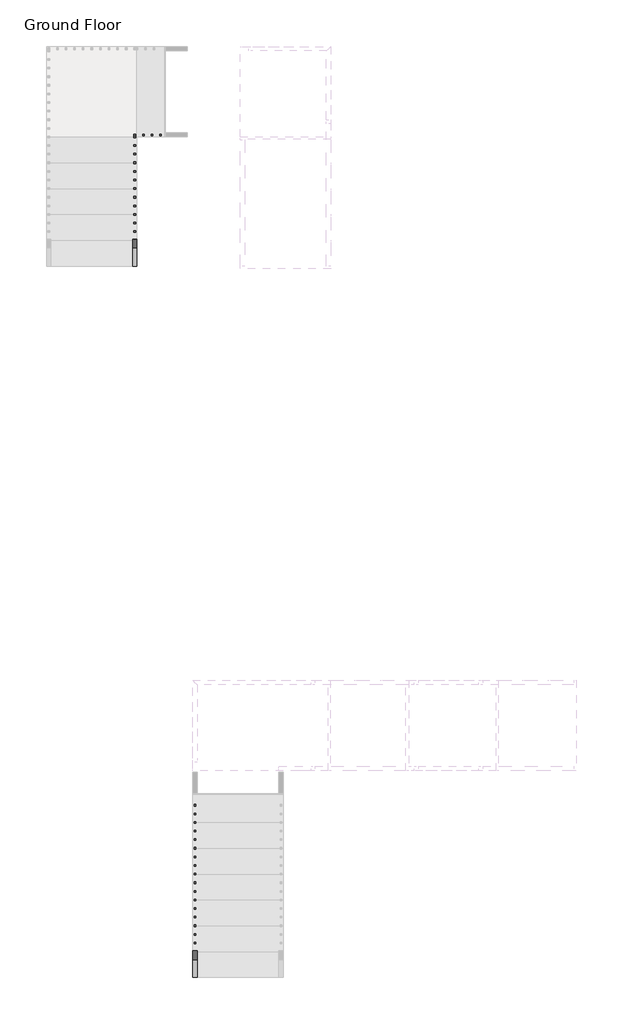
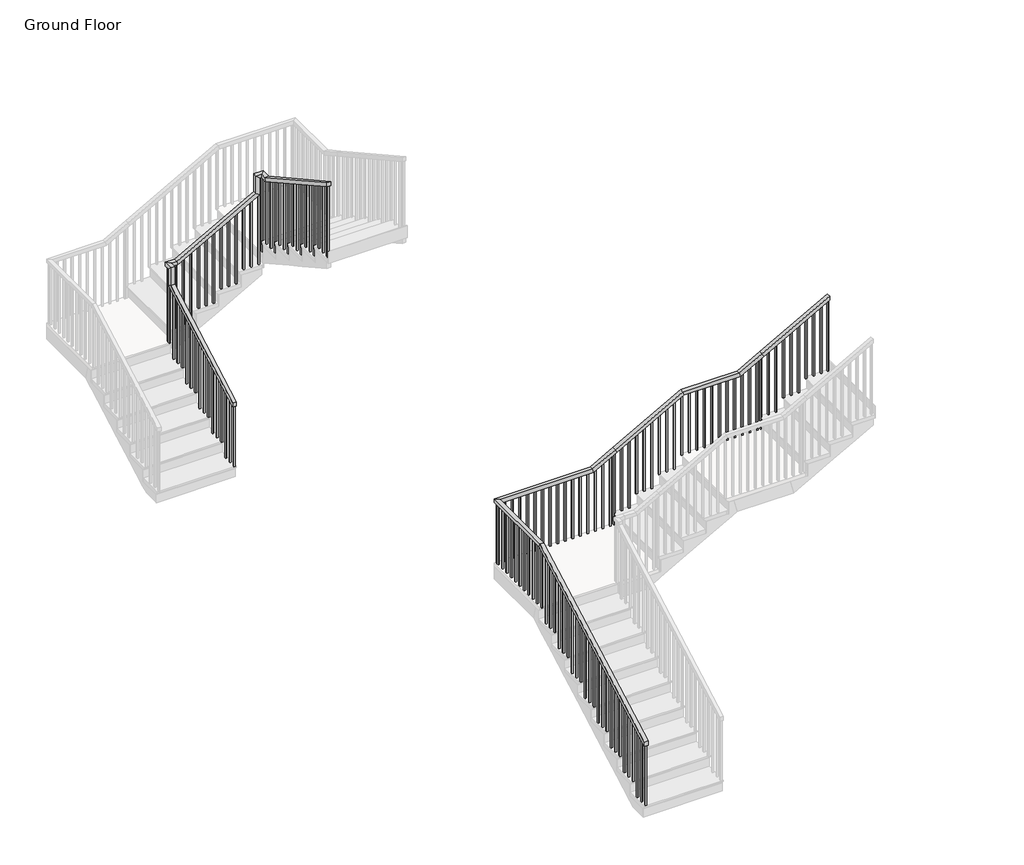
# One storey, part 6 of 10: 2 railings.
"""IFC4 building model written with IfcOpenShell, lengths in millimetres."""

from ifc_helpers import new_model, si_unit, frame, origin, place, context, project, spatial, polyline, outline, extrude, faceted_brep, element, save

model = new_model("IFC4")

# Units and contexts
model_context = context("Model", 3, world=origin())
ifc_project = project(units=[si_unit("LENGTHUNIT", "METRE", prefix="MILLI")], contexts=[model_context])

# Site, building, storey
site = spatial("IfcSite", under=ifc_project)
building = spatial("IfcBuilding", under=site)
storey = spatial("IfcBuildingStorey", under=building, Name="Ground Floor", Elevation=0.0)

# Railings
placement = place(None, origin())
element("IfcRailing", 1, ObjectType="Handrail - Rectangular", at=placement, inside=storey, context=model_context, shape_type="SolidModel", body=[
    faceted_brep([(36570.4404708, -15539.550078, 1083.2352941), (36570.4404708, -15539.550078, 1025.162448), (36621.2404708, -15539.550078, 1025.162448), (36621.2404708, -15539.550078, 1083.2352941), (36570.4404708, -13101.150078, 2433.9176471), (36570.4404708, -13088.020338, 2383.1176471), (36621.2404708, -13088.020338, 2383.1176471), (36621.2404708, -13101.150078, 2433.9176471), (36570.4404708, -12034.350078, 2433.9176471), (36570.4404708, -12034.350078, 2383.1176471), (36621.2404708, -12085.150078, 2383.1176471), (36621.2404708, -12085.150078, 2433.9176471), (37865.8404708, -12034.350078, 2433.9176471), (37878.9702107, -12034.350078, 2383.1176471), (37878.9702107, -12085.150078, 2383.1176471), (37865.8404708, -12085.150078, 2433.9176471), (38170.6404708, -12034.350078, 2602.7529412), (38195.2556266, -12034.350078, 2558.3149608), (38195.2556266, -12085.150078, 2558.3149608), (38170.6404708, -12085.150078, 2602.7529412), (39085.0404708, -12034.350078, 3109.2588235), (39098.1702107, -12034.350078, 3058.4588235), (39098.1702107, -12085.150078, 3058.4588235), (39085.0404708, -12085.150078, 3109.2588235), (39847.0404708, -12034.350078, 3109.2588235), (39860.1702107, -12034.350078, 3058.4588235), (39860.1702107, -12085.150078, 3058.4588235), (39847.0404708, -12085.150078, 3109.2588235), (40151.8404708, -12034.350078, 3278.0941176), (40176.4556266, -12034.350078, 3233.6561372), (40176.4556266, -12085.150078, 3233.6561372), (40151.8404708, -12085.150078, 3278.0941176), (41066.2404708, -12034.350078, 3784.6), (41066.2404708, -12085.150078, 3784.6), (41066.2404708, -12085.150078, 3726.5271539), (41066.2404708, -12034.350078, 3726.5271539)], [[[0, 1, 2, 3]], [[1, 0, 4, 5]], [[2, 1, 5, 6]], [[3, 2, 6, 7]], [[0, 3, 7, 4]], [[5, 4, 8, 9]], [[6, 5, 9, 10]], [[7, 6, 10, 11]], [[4, 7, 11, 8]], [[9, 8, 12, 13]], [[10, 9, 13, 14]], [[11, 10, 14, 15]], [[8, 11, 15, 12]], [[13, 12, 16, 17]], [[14, 13, 17, 18]], [[15, 14, 18, 19]], [[12, 15, 19, 16]], [[17, 16, 20, 21]], [[18, 17, 21, 22]], [[19, 18, 22, 23]], [[16, 19, 23, 20]], [[21, 20, 24, 25]], [[22, 21, 25, 26]], [[23, 22, 26, 27]], [[20, 23, 27, 24]], [[25, 24, 28, 29]], [[26, 25, 29, 30]], [[27, 26, 30, 31]], [[24, 27, 31, 28]], [[32, 33, 34, 35]], [[29, 28, 32, 35]], [[30, 29, 35, 34]], [[31, 30, 34, 33]], [[28, 31, 33, 32]]]),
    extrude(outline(polyline([(3664.9726195, 40955.1154708), (2701.3647059, 40955.1154708), (2701.3647059, 40974.1654708), (3675.5248254, 40974.1654708), (3664.9726195, 40955.1154708)])), frame((0.0, -12069.275078, 0.0), z_axis=(0.0, 1.0, 0.0), x_axis=(0.0, 0.0, 1.0)), (0.0, 0.0, 1.0), 19.05),
    extrude(outline(polyline([(3608.6941882, 40853.5154708), (2701.3647059, 40853.5154708), (2701.3647059, 40872.5654708), (3619.2463941, 40872.5654708), (3608.6941882, 40853.5154708)])), frame((0.0, -12069.275078, 0.0), z_axis=(0.0, 1.0, 0.0), x_axis=(0.0, 0.0, 1.0)), (0.0, 0.0, 1.0), 19.05),
    extrude(outline(polyline([(3552.4157568, 40751.9154708), (2701.3647059, 40751.9154708), (2701.3647059, 40770.9654708), (3562.9679627, 40770.9654708), (3552.4157568, 40751.9154708)])), frame((0.0, -12069.275078, 0.0), z_axis=(0.0, 1.0, 0.0), x_axis=(0.0, 0.0, 1.0)), (0.0, 0.0, 1.0), 19.05),
    extrude(outline(polyline([(3496.1373254, 40650.3154708), (2532.5294118, 40650.3154708), (2532.5294118, 40669.3654708), (3506.6895313, 40669.3654708), (3496.1373254, 40650.3154708)])), frame((0.0, -12069.275078, 0.0), z_axis=(0.0, 1.0, 0.0), x_axis=(0.0, 0.0, 1.0)), (0.0, 0.0, 1.0), 19.05),
    extrude(outline(polyline([(3439.8588941, 40548.7154708), (2532.5294118, 40548.7154708), (2532.5294118, 40567.7654708), (3450.4110999, 40567.7654708), (3439.8588941, 40548.7154708)])), frame((0.0, -12069.275078, 0.0), z_axis=(0.0, 1.0, 0.0), x_axis=(0.0, 0.0, 1.0)), (0.0, 0.0, 1.0), 19.05),
    extrude(outline(polyline([(3383.5804627, 40447.1154708), (2532.5294118, 40447.1154708), (2532.5294118, 40466.1654708), (3394.1326686, 40466.1654708), (3383.5804627, 40447.1154708)])), frame((0.0, -12069.275078, 0.0), z_axis=(0.0, 1.0, 0.0), x_axis=(0.0, 0.0, 1.0)), (0.0, 0.0, 1.0), 19.05),
    extrude(outline(polyline([(3327.3020313, 40345.5154708), (2363.6941176, 40345.5154708), (2363.6941176, 40364.5654708), (3337.8542372, 40364.5654708), (3327.3020313, 40345.5154708)])), frame((0.0, -12069.275078, 0.0), z_axis=(0.0, 1.0, 0.0), x_axis=(0.0, 0.0, 1.0)), (0.0, 0.0, 1.0), 19.05),
    extrude(outline(polyline([(3271.0235999, 40243.9154708), (2363.6941176, 40243.9154708), (2363.6941176, 40262.9654708), (3281.5758058, 40262.9654708), (3271.0235999, 40243.9154708)])), frame((0.0, -12069.275078, 0.0), z_axis=(0.0, 1.0, 0.0), x_axis=(0.0, 0.0, 1.0)), (0.0, 0.0, 1.0), 19.05),
    extrude(outline(polyline([(3186.6059529, 40091.5154708), (2194.8588235, 40091.5154708), (2194.8588235, 40110.5654708), (3197.1581588, 40110.5654708), (3186.6059529, 40091.5154708)])), frame((0.0, -12069.275078, 0.0), z_axis=(0.0, 1.0, 0.0), x_axis=(0.0, 0.0, 1.0)), (0.0, 0.0, 1.0), 19.05),
    extrude(outline(polyline([(3130.3275215, 39989.9154708), (2194.8588235, 39989.9154708), (2194.8588235, 40008.9654708), (3140.8797274, 40008.9654708), (3130.3275215, 39989.9154708)])), frame((0.0, -12069.275078, 0.0), z_axis=(0.0, 1.0, 0.0), x_axis=(0.0, 0.0, 1.0)), (0.0, 0.0, 1.0), 19.05),
    extrude(outline(polyline([(3074.0490901, 39888.3154708), (2194.8588235, 39888.3154708), (2194.8588235, 39907.3654708), (3084.601296, 39907.3654708), (3074.0490901, 39888.3154708)])), frame((0.0, -12069.275078, 0.0), z_axis=(0.0, 1.0, 0.0), x_axis=(0.0, 0.0, 1.0)), (0.0, 0.0, 1.0), 19.05),
    extrude(outline(polyline([(39786.7154708, -12050.225078), (39805.7654708, -12050.225078), (39805.7654708, -12069.275078), (39786.7154708, -12069.275078), (39786.7154708, -12050.225078)])), frame((0.0, 0.0, 2194.8588235), z_axis=(0.0, 0.0, 1.0), x_axis=(1.0, 0.0, 0.0)), (0.0, 0.0, 1.0), 863.6),
    extrude(outline(polyline([(39685.1154708, -12050.225078), (39704.1654708, -12050.225078), (39704.1654708, -12069.275078), (39685.1154708, -12069.275078), (39685.1154708, -12050.225078)])), frame((0.0, 0.0, 2194.8588235), z_axis=(0.0, 0.0, 1.0), x_axis=(1.0, 0.0, 0.0)), (0.0, 0.0, 1.0), 863.6),
    extrude(outline(polyline([(39583.5154708, -12050.225078), (39602.5654708, -12050.225078), (39602.5654708, -12069.275078), (39583.5154708, -12069.275078), (39583.5154708, -12050.225078)])), frame((0.0, 0.0, 2194.8588235), z_axis=(0.0, 0.0, 1.0), x_axis=(1.0, 0.0, 0.0)), (0.0, 0.0, 1.0), 863.6),
    extrude(outline(polyline([(39481.9154708, -12050.225078), (39500.9654708, -12050.225078), (39500.9654708, -12069.275078), (39481.9154708, -12069.275078), (39481.9154708, -12050.225078)])), frame((0.0, 0.0, 2194.8588235), z_axis=(0.0, 0.0, 1.0), x_axis=(1.0, 0.0, 0.0)), (0.0, 0.0, 1.0), 863.6),
    extrude(outline(polyline([(39380.3154708, -12050.225078), (39399.3654708, -12050.225078), (39399.3654708, -12069.275078), (39380.3154708, -12069.275078), (39380.3154708, -12050.225078)])), frame((0.0, 0.0, 2194.8588235), z_axis=(0.0, 0.0, 1.0), x_axis=(1.0, 0.0, 0.0)), (0.0, 0.0, 1.0), 863.6),
    extrude(outline(polyline([(39278.7154708, -12050.225078), (39297.7654708, -12050.225078), (39297.7654708, -12069.275078), (39278.7154708, -12069.275078), (39278.7154708, -12050.225078)])), frame((0.0, 0.0, 2194.8588235), z_axis=(0.0, 0.0, 1.0), x_axis=(1.0, 0.0, 0.0)), (0.0, 0.0, 1.0), 863.6),
    extrude(outline(polyline([(39177.1154708, -12050.225078), (39196.1654708, -12050.225078), (39196.1654708, -12069.275078), (39177.1154708, -12069.275078), (39177.1154708, -12050.225078)])), frame((0.0, 0.0, 2194.8588235), z_axis=(0.0, 0.0, 1.0), x_axis=(1.0, 0.0, 0.0)), (0.0, 0.0, 1.0), 863.6),
    extrude(outline(polyline([(2989.6314431, 38973.9154708), (2026.0235294, 38973.9154708), (2026.0235294, 38992.9654708), (3000.183649, 38992.9654708), (2989.6314431, 38973.9154708)])), frame((0.0, -12069.275078, 0.0), z_axis=(0.0, 1.0, 0.0), x_axis=(0.0, 0.0, 1.0)), (0.0, 0.0, 1.0), 19.05),
    extrude(outline(polyline([(2933.3530117, 38872.3154708), (2026.0235294, 38872.3154708), (2026.0235294, 38891.3654708), (2943.9052176, 38891.3654708), (2933.3530117, 38872.3154708)])), frame((0.0, -12069.275078, 0.0), z_axis=(0.0, 1.0, 0.0), x_axis=(0.0, 0.0, 1.0)), (0.0, 0.0, 1.0), 19.05),
    extrude(outline(polyline([(2877.0745803, 38770.7154708), (2026.0235294, 38770.7154708), (2026.0235294, 38789.7654708), (2887.6267862, 38789.7654708), (2877.0745803, 38770.7154708)])), frame((0.0, -12069.275078, 0.0), z_axis=(0.0, 1.0, 0.0), x_axis=(0.0, 0.0, 1.0)), (0.0, 0.0, 1.0), 19.05),
    extrude(outline(polyline([(2820.796149, 38669.1154708), (1857.1882353, 38669.1154708), (1857.1882353, 38688.1654708), (2831.3483548, 38688.1654708), (2820.796149, 38669.1154708)])), frame((0.0, -12069.275078, 0.0), z_axis=(0.0, 1.0, 0.0), x_axis=(0.0, 0.0, 1.0)), (0.0, 0.0, 1.0), 19.05),
    extrude(outline(polyline([(2764.5177176, 38567.5154708), (1857.1882353, 38567.5154708), (1857.1882353, 38586.5654708), (2775.0699235, 38586.5654708), (2764.5177176, 38567.5154708)])), frame((0.0, -12069.275078, 0.0), z_axis=(0.0, 1.0, 0.0), x_axis=(0.0, 0.0, 1.0)), (0.0, 0.0, 1.0), 19.05),
    extrude(outline(polyline([(2708.2392862, 38465.9154708), (1857.1882353, 38465.9154708), (1857.1882353, 38484.9654708), (2718.7914921, 38484.9654708), (2708.2392862, 38465.9154708)])), frame((0.0, -12069.275078, 0.0), z_axis=(0.0, 1.0, 0.0), x_axis=(0.0, 0.0, 1.0)), (0.0, 0.0, 1.0), 19.05),
    extrude(outline(polyline([(2651.9608548, 38364.3154708), (1688.3529412, 38364.3154708), (1688.3529412, 38383.3654708), (2662.5130607, 38383.3654708), (2651.9608548, 38364.3154708)])), frame((0.0, -12069.275078, 0.0), z_axis=(0.0, 1.0, 0.0), x_axis=(0.0, 0.0, 1.0)), (0.0, 0.0, 1.0), 19.05),
    extrude(outline(polyline([(2595.6824235, 38262.7154708), (1688.3529412, 38262.7154708), (1688.3529412, 38281.7654708), (2606.2346293, 38281.7654708), (2595.6824235, 38262.7154708)])), frame((0.0, -12069.275078, 0.0), z_axis=(0.0, 1.0, 0.0), x_axis=(0.0, 0.0, 1.0)), (0.0, 0.0, 1.0), 19.05),
    extrude(outline(polyline([(2511.2647764, 38110.3154708), (1519.5176471, 38110.3154708), (1519.5176471, 38129.3654708), (2521.8169823, 38129.3654708), (2511.2647764, 38110.3154708)])), frame((0.0, -12069.275078, 0.0), z_axis=(0.0, 1.0, 0.0), x_axis=(0.0, 0.0, 1.0)), (0.0, 0.0, 1.0), 19.05),
    extrude(outline(polyline([(2454.986345, 38008.7154708), (1519.5176471, 38008.7154708), (1519.5176471, 38027.7654708), (2465.5385509, 38027.7654708), (2454.986345, 38008.7154708)])), frame((0.0, -12069.275078, 0.0), z_axis=(0.0, 1.0, 0.0), x_axis=(0.0, 0.0, 1.0)), (0.0, 0.0, 1.0), 19.05),
    extrude(outline(polyline([(2398.7079137, 37907.1154708), (1519.5176471, 37907.1154708), (1519.5176471, 37926.1654708), (2409.2601195, 37926.1654708), (2398.7079137, 37907.1154708)])), frame((0.0, -12069.275078, 0.0), z_axis=(0.0, 1.0, 0.0), x_axis=(0.0, 0.0, 1.0)), (0.0, 0.0, 1.0), 19.05),
    extrude(outline(polyline([(37805.5154708, -12050.225078), (37824.5654708, -12050.225078), (37824.5654708, -12069.275078), (37805.5154708, -12069.275078), (37805.5154708, -12050.225078)])), frame((0.0, 0.0, 1519.5176471), z_axis=(0.0, 0.0, 1.0), x_axis=(1.0, 0.0, 0.0)), (0.0, 0.0, 1.0), 863.6),
    extrude(outline(polyline([(37703.9154708, -12050.225078), (37722.9654708, -12050.225078), (37722.9654708, -12069.275078), (37703.9154708, -12069.275078), (37703.9154708, -12050.225078)])), frame((0.0, 0.0, 1519.5176471), z_axis=(0.0, 0.0, 1.0), x_axis=(1.0, 0.0, 0.0)), (0.0, 0.0, 1.0), 863.6),
    extrude(outline(polyline([(37602.3154708, -12050.225078), (37621.3654708, -12050.225078), (37621.3654708, -12069.275078), (37602.3154708, -12069.275078), (37602.3154708, -12050.225078)])), frame((0.0, 0.0, 1519.5176471), z_axis=(0.0, 0.0, 1.0), x_axis=(1.0, 0.0, 0.0)), (0.0, 0.0, 1.0), 863.6),
    extrude(outline(polyline([(37500.7154708, -12050.225078), (37519.7654708, -12050.225078), (37519.7654708, -12069.275078), (37500.7154708, -12069.275078), (37500.7154708, -12050.225078)])), frame((0.0, 0.0, 1519.5176471), z_axis=(0.0, 0.0, 1.0), x_axis=(1.0, 0.0, 0.0)), (0.0, 0.0, 1.0), 863.6),
    extrude(outline(polyline([(37399.1154708, -12050.225078), (37418.1654708, -12050.225078), (37418.1654708, -12069.275078), (37399.1154708, -12069.275078), (37399.1154708, -12050.225078)])), frame((0.0, 0.0, 1519.5176471), z_axis=(0.0, 0.0, 1.0), x_axis=(1.0, 0.0, 0.0)), (0.0, 0.0, 1.0), 863.6),
    extrude(outline(polyline([(37297.5154708, -12050.225078), (37316.5654708, -12050.225078), (37316.5654708, -12069.275078), (37297.5154708, -12069.275078), (37297.5154708, -12050.225078)])), frame((0.0, 0.0, 1519.5176471), z_axis=(0.0, 0.0, 1.0), x_axis=(1.0, 0.0, 0.0)), (0.0, 0.0, 1.0), 863.6),
    extrude(outline(polyline([(37195.9154708, -12050.225078), (37214.9654708, -12050.225078), (37214.9654708, -12069.275078), (37195.9154708, -12069.275078), (37195.9154708, -12050.225078)])), frame((0.0, 0.0, 1519.5176471), z_axis=(0.0, 0.0, 1.0), x_axis=(1.0, 0.0, 0.0)), (0.0, 0.0, 1.0), 863.6),
    extrude(outline(polyline([(37094.3154708, -12050.225078), (37113.3654708, -12050.225078), (37113.3654708, -12069.275078), (37094.3154708, -12069.275078), (37094.3154708, -12050.225078)])), frame((0.0, 0.0, 1519.5176471), z_axis=(0.0, 0.0, 1.0), x_axis=(1.0, 0.0, 0.0)), (0.0, 0.0, 1.0), 863.6),
    extrude(outline(polyline([(36992.7154708, -12050.225078), (37011.7654708, -12050.225078), (37011.7654708, -12069.275078), (36992.7154708, -12069.275078), (36992.7154708, -12050.225078)])), frame((0.0, 0.0, 1519.5176471), z_axis=(0.0, 0.0, 1.0), x_axis=(1.0, 0.0, 0.0)), (0.0, 0.0, 1.0), 863.6),
    extrude(outline(polyline([(36891.1154708, -12050.225078), (36910.1654708, -12050.225078), (36910.1654708, -12069.275078), (36891.1154708, -12069.275078), (36891.1154708, -12050.225078)])), frame((0.0, 0.0, 1519.5176471), z_axis=(0.0, 0.0, 1.0), x_axis=(1.0, 0.0, 0.0)), (0.0, 0.0, 1.0), 863.6),
    extrude(outline(polyline([(36789.5154708, -12050.225078), (36808.5654708, -12050.225078), (36808.5654708, -12069.275078), (36789.5154708, -12069.275078), (36789.5154708, -12050.225078)])), frame((0.0, 0.0, 1519.5176471), z_axis=(0.0, 0.0, 1.0), x_axis=(1.0, 0.0, 0.0)), (0.0, 0.0, 1.0), 863.6),
    extrude(outline(polyline([(36687.9154708, -12050.225078), (36706.9654708, -12050.225078), (36706.9654708, -12069.275078), (36687.9154708, -12069.275078), (36687.9154708, -12050.225078)])), frame((0.0, 0.0, 1519.5176471), z_axis=(0.0, 0.0, 1.0), x_axis=(1.0, 0.0, 0.0)), (0.0, 0.0, 1.0), 863.6),
    extrude(outline(polyline([(36586.3154708, -12094.675078), (36586.3154708, -12075.625078), (36605.3654708, -12075.625078), (36605.3654708, -12094.675078), (36586.3154708, -12094.675078)])), frame((0.0, 0.0, 1519.5176471), z_axis=(0.0, 0.0, 1.0), x_axis=(1.0, 0.0, 0.0)), (0.0, 0.0, 1.0), 863.6),
    extrude(outline(polyline([(36586.3154708, -12196.275078), (36586.3154708, -12177.225078), (36605.3654708, -12177.225078), (36605.3654708, -12196.275078), (36586.3154708, -12196.275078)])), frame((0.0, 0.0, 1519.5176471), z_axis=(0.0, 0.0, 1.0), x_axis=(1.0, 0.0, 0.0)), (0.0, 0.0, 1.0), 863.6),
    extrude(outline(polyline([(36586.3154708, -12297.875078), (36586.3154708, -12278.825078), (36605.3654708, -12278.825078), (36605.3654708, -12297.875078), (36586.3154708, -12297.875078)])), frame((0.0, 0.0, 1519.5176471), z_axis=(0.0, 0.0, 1.0), x_axis=(1.0, 0.0, 0.0)), (0.0, 0.0, 1.0), 863.6),
    extrude(outline(polyline([(36586.3154708, -12399.475078), (36586.3154708, -12380.425078), (36605.3654708, -12380.425078), (36605.3654708, -12399.475078), (36586.3154708, -12399.475078)])), frame((0.0, 0.0, 1519.5176471), z_axis=(0.0, 0.0, 1.0), x_axis=(1.0, 0.0, 0.0)), (0.0, 0.0, 1.0), 863.6),
    extrude(outline(polyline([(36586.3154708, -12501.075078), (36586.3154708, -12482.025078), (36605.3654708, -12482.025078), (36605.3654708, -12501.075078), (36586.3154708, -12501.075078)])), frame((0.0, 0.0, 1519.5176471), z_axis=(0.0, 0.0, 1.0), x_axis=(1.0, 0.0, 0.0)), (0.0, 0.0, 1.0), 863.6),
    extrude(outline(polyline([(36586.3154708, -12602.675078), (36586.3154708, -12583.625078), (36605.3654708, -12583.625078), (36605.3654708, -12602.675078), (36586.3154708, -12602.675078)])), frame((0.0, 0.0, 1519.5176471), z_axis=(0.0, 0.0, 1.0), x_axis=(1.0, 0.0, 0.0)), (0.0, 0.0, 1.0), 863.6),
    extrude(outline(polyline([(36586.3154708, -12704.275078), (36586.3154708, -12685.225078), (36605.3654708, -12685.225078), (36605.3654708, -12704.275078), (36586.3154708, -12704.275078)])), frame((0.0, 0.0, 1519.5176471), z_axis=(0.0, 0.0, 1.0), x_axis=(1.0, 0.0, 0.0)), (0.0, 0.0, 1.0), 863.6),
    extrude(outline(polyline([(36586.3154708, -12805.875078), (36586.3154708, -12786.825078), (36605.3654708, -12786.825078), (36605.3654708, -12805.875078), (36586.3154708, -12805.875078)])), frame((0.0, 0.0, 1519.5176471), z_axis=(0.0, 0.0, 1.0), x_axis=(1.0, 0.0, 0.0)), (0.0, 0.0, 1.0), 863.6),
    extrude(outline(polyline([(36586.3154708, -12907.475078), (36586.3154708, -12888.425078), (36605.3654708, -12888.425078), (36605.3654708, -12907.475078), (36586.3154708, -12907.475078)])), frame((0.0, 0.0, 1519.5176471), z_axis=(0.0, 0.0, 1.0), x_axis=(1.0, 0.0, 0.0)), (0.0, 0.0, 1.0), 863.6),
    extrude(outline(polyline([(36586.3154708, -13009.075078), (36586.3154708, -12990.025078), (36605.3654708, -12990.025078), (36605.3654708, -13009.075078), (36586.3154708, -13009.075078)])), frame((0.0, 0.0, 1519.5176471), z_axis=(0.0, 0.0, 1.0), x_axis=(1.0, 0.0, 0.0)), (0.0, 0.0, 1.0), 863.6),
    extrude(outline(polyline([(-13193.225078, 2324.8424725), (-13193.225078, 1350.6823529), (-13212.275078, 1350.6823529), (-13212.275078, 2314.2902666), (-13193.225078, 2324.8424725)])), frame((36586.3154708, 0.0, 0.0), z_axis=(1.0, 0.0, 0.0), x_axis=(0.0, 1.0, 0.0)), (0.0, 0.0, 1.0), 19.05),
    extrude(outline(polyline([(-13294.825078, 2268.5640411), (-13294.825078, 1350.6823529), (-13313.875078, 1350.6823529), (-13313.875078, 2258.0118352), (-13294.825078, 2268.5640411)])), frame((36586.3154708, 0.0, 0.0), z_axis=(1.0, 0.0, 0.0), x_axis=(0.0, 1.0, 0.0)), (0.0, 0.0, 1.0), 19.05),
    extrude(outline(polyline([(-13396.425078, 2212.2856097), (-13396.425078, 1350.6823529), (-13415.475078, 1350.6823529), (-13415.475078, 2201.7334039), (-13396.425078, 2212.2856097)])), frame((36586.3154708, 0.0, 0.0), z_axis=(1.0, 0.0, 0.0), x_axis=(0.0, 1.0, 0.0)), (0.0, 0.0, 1.0), 19.05),
    extrude(outline(polyline([(-13498.025078, 2156.0071784), (-13498.025078, 1181.8470588), (-13517.075078, 1181.8470588), (-13517.075078, 2145.4549725), (-13498.025078, 2156.0071784)])), frame((36586.3154708, 0.0, 0.0), z_axis=(1.0, 0.0, 0.0), x_axis=(0.0, 1.0, 0.0)), (0.0, 0.0, 1.0), 19.05),
    extrude(outline(polyline([(-13599.625078, 2099.728747), (-13599.625078, 1181.8470588), (-13618.675078, 1181.8470588), (-13618.675078, 2089.1765411), (-13599.625078, 2099.728747)])), frame((36586.3154708, 0.0, 0.0), z_axis=(1.0, 0.0, 0.0), x_axis=(0.0, 1.0, 0.0)), (0.0, 0.0, 1.0), 19.05),
    extrude(outline(polyline([(-13701.225078, 2043.4503156), (-13701.225078, 1181.8470588), (-13720.275078, 1181.8470588), (-13720.275078, 2032.8981097), (-13701.225078, 2043.4503156)])), frame((36586.3154708, 0.0, 0.0), z_axis=(1.0, 0.0, 0.0), x_axis=(0.0, 1.0, 0.0)), (0.0, 0.0, 1.0), 19.05),
    extrude(outline(polyline([(-13802.825078, 1987.1718842), (-13802.825078, 1013.0117647), (-13821.875078, 1013.0117647), (-13821.875078, 1976.6196784), (-13802.825078, 1987.1718842)])), frame((36586.3154708, 0.0, 0.0), z_axis=(1.0, 0.0, 0.0), x_axis=(0.0, 1.0, 0.0)), (0.0, 0.0, 1.0), 19.05),
    extrude(outline(polyline([(-13904.425078, 1930.8934529), (-13904.425078, 1013.0117647), (-13923.475078, 1013.0117647), (-13923.475078, 1920.341247), (-13904.425078, 1930.8934529)])), frame((36586.3154708, 0.0, 0.0), z_axis=(1.0, 0.0, 0.0), x_axis=(0.0, 1.0, 0.0)), (0.0, 0.0, 1.0), 19.05),
    extrude(outline(polyline([(-14006.025078, 1874.6150215), (-14006.025078, 1013.0117647), (-14025.075078, 1013.0117647), (-14025.075078, 1864.0628156), (-14006.025078, 1874.6150215)])), frame((36586.3154708, 0.0, 0.0), z_axis=(1.0, 0.0, 0.0), x_axis=(0.0, 1.0, 0.0)), (0.0, 0.0, 1.0), 19.05),
    extrude(outline(polyline([(-14107.625078, 1818.3365901), (-14107.625078, 844.1764706), (-14126.675078, 844.1764706), (-14126.675078, 1807.7843842), (-14107.625078, 1818.3365901)])), frame((36586.3154708, 0.0, 0.0), z_axis=(1.0, 0.0, 0.0), x_axis=(0.0, 1.0, 0.0)), (0.0, 0.0, 1.0), 19.05),
    extrude(outline(polyline([(-14209.225078, 1762.0581588), (-14209.225078, 844.1764706), (-14228.275078, 844.1764706), (-14228.275078, 1751.5059529), (-14209.225078, 1762.0581588)])), frame((36586.3154708, 0.0, 0.0), z_axis=(1.0, 0.0, 0.0), x_axis=(0.0, 1.0, 0.0)), (0.0, 0.0, 1.0), 19.05),
    extrude(outline(polyline([(-14310.825078, 1705.7797274), (-14310.825078, 844.1764706), (-14329.875078, 844.1764706), (-14329.875078, 1695.2275215), (-14310.825078, 1705.7797274)])), frame((36586.3154708, 0.0, 0.0), z_axis=(1.0, 0.0, 0.0), x_axis=(0.0, 1.0, 0.0)), (0.0, 0.0, 1.0), 19.05),
    extrude(outline(polyline([(-14412.425078, 1649.501296), (-14412.425078, 675.3411765), (-14431.475078, 675.3411765), (-14431.475078, 1638.9490901), (-14412.425078, 1649.501296)])), frame((36586.3154708, 0.0, 0.0), z_axis=(1.0, 0.0, 0.0), x_axis=(0.0, 1.0, 0.0)), (0.0, 0.0, 1.0), 19.05),
    extrude(outline(polyline([(-14514.025078, 1593.2228646), (-14514.025078, 675.3411765), (-14533.075078, 675.3411765), (-14533.075078, 1582.6706588), (-14514.025078, 1593.2228646)])), frame((36586.3154708, 0.0, 0.0), z_axis=(1.0, 0.0, 0.0), x_axis=(0.0, 1.0, 0.0)), (0.0, 0.0, 1.0), 19.05),
    extrude(outline(polyline([(-14615.625078, 1536.9444333), (-14615.625078, 675.3411765), (-14634.675078, 675.3411765), (-14634.675078, 1526.3922274), (-14615.625078, 1536.9444333)])), frame((36586.3154708, 0.0, 0.0), z_axis=(1.0, 0.0, 0.0), x_axis=(0.0, 1.0, 0.0)), (0.0, 0.0, 1.0), 19.05),
    extrude(outline(polyline([(-14717.225078, 1480.6660019), (-14717.225078, 506.5058824), (-14736.275078, 506.5058824), (-14736.275078, 1470.113796), (-14717.225078, 1480.6660019)])), frame((36586.3154708, 0.0, 0.0), z_axis=(1.0, 0.0, 0.0), x_axis=(0.0, 1.0, 0.0)), (0.0, 0.0, 1.0), 19.05),
    extrude(outline(polyline([(-14818.825078, 1424.3875705), (-14818.825078, 506.5058824), (-14837.875078, 506.5058824), (-14837.875078, 1413.8353646), (-14818.825078, 1424.3875705)])), frame((36586.3154708, 0.0, 0.0), z_axis=(1.0, 0.0, 0.0), x_axis=(0.0, 1.0, 0.0)), (0.0, 0.0, 1.0), 19.05),
    extrude(outline(polyline([(-14920.425078, 1368.1091391), (-14920.425078, 506.5058824), (-14939.475078, 506.5058824), (-14939.475078, 1357.5569333), (-14920.425078, 1368.1091391)])), frame((36586.3154708, 0.0, 0.0), z_axis=(1.0, 0.0, 0.0), x_axis=(0.0, 1.0, 0.0)), (0.0, 0.0, 1.0), 19.05),
    extrude(outline(polyline([(-15022.025078, 1311.8307078), (-15022.025078, 337.6705882), (-15041.075078, 337.6705882), (-15041.075078, 1301.2785019), (-15022.025078, 1311.8307078)])), frame((36586.3154708, 0.0, 0.0), z_axis=(1.0, 0.0, 0.0), x_axis=(0.0, 1.0, 0.0)), (0.0, 0.0, 1.0), 19.05),
    extrude(outline(polyline([(-15123.625078, 1255.5522764), (-15123.625078, 337.6705882), (-15142.675078, 337.6705882), (-15142.675078, 1245.0000705), (-15123.625078, 1255.5522764)])), frame((36586.3154708, 0.0, 0.0), z_axis=(1.0, 0.0, 0.0), x_axis=(0.0, 1.0, 0.0)), (0.0, 0.0, 1.0), 19.05),
    extrude(outline(polyline([(-15225.225078, 1199.273845), (-15225.225078, 337.6705882), (-15244.275078, 337.6705882), (-15244.275078, 1188.7216391), (-15225.225078, 1199.273845)])), frame((36586.3154708, 0.0, 0.0), z_axis=(1.0, 0.0, 0.0), x_axis=(0.0, 1.0, 0.0)), (0.0, 0.0, 1.0), 19.05),
    extrude(outline(polyline([(-15326.825078, 1142.9954137), (-15326.825078, 168.8352941), (-15345.875078, 168.8352941), (-15345.875078, 1132.4432078), (-15326.825078, 1142.9954137)])), frame((36586.3154708, 0.0, 0.0), z_axis=(1.0, 0.0, 0.0), x_axis=(0.0, 1.0, 0.0)), (0.0, 0.0, 1.0), 19.05),
    extrude(outline(polyline([(-15428.425078, 1086.7169823), (-15428.425078, 168.8352941), (-15447.475078, 168.8352941), (-15447.475078, 1076.1647764), (-15428.425078, 1086.7169823)])), frame((36586.3154708, 0.0, 0.0), z_axis=(1.0, 0.0, 0.0), x_axis=(0.0, 1.0, 0.0)), (0.0, 0.0, 1.0), 19.05),
    extrude(outline(polyline([(3214.7451686, 40142.3154708), (2194.8588235, 40142.3154708), (2194.8588235, 40161.3654708), (3225.2973744, 40161.3654708), (3214.7451686, 40142.3154708)])), frame((0.0, -12069.275078, 0.0), z_axis=(0.0, 1.0, 0.0), x_axis=(0.0, 0.0, 1.0)), (0.0, 0.0, 1.0), 19.05),
    extrude(outline(polyline([(3045.9098744, 39075.5154708), (2194.8588235, 39075.5154708), (2194.8588235, 39094.5654708), (3056.4620803, 39094.5654708), (3045.9098744, 39075.5154708)])), frame((0.0, -12069.275078, 0.0), z_axis=(0.0, 1.0, 0.0), x_axis=(0.0, 0.0, 1.0)), (0.0, 0.0, 1.0), 19.05),
    extrude(outline(polyline([(2539.4039921, 38161.1154708), (1519.5176471, 38161.1154708), (1519.5176471, 38180.1654708), (2549.956198, 38180.1654708), (2539.4039921, 38161.1154708)])), frame((0.0, -12069.275078, 0.0), z_axis=(0.0, 1.0, 0.0), x_axis=(0.0, 0.0, 1.0)), (0.0, 0.0, 1.0), 19.05),
    extrude(outline(polyline([(36586.3154708, -12069.275078), (36586.3154708, -12050.225078), (36605.3654708, -12050.225078), (36605.3654708, -12069.275078), (36586.3154708, -12069.275078)])), frame((0.0, 0.0, 1519.5176471), z_axis=(0.0, 0.0, 1.0), x_axis=(1.0, 0.0, 0.0)), (0.0, 0.0, 1.0), 863.6),
    extrude(outline(polyline([(-13091.625078, 2381.1209039), (-13091.625078, 1519.5176471), (-13110.675078, 1519.5176471), (-13110.675078, 2370.568698), (-13091.625078, 2381.1209039)])), frame((36586.3154708, 0.0, 0.0), z_axis=(1.0, 0.0, 0.0), x_axis=(0.0, 1.0, 0.0)), (0.0, 0.0, 1.0), 19.05),
    extrude(outline(polyline([(3715.974948, 41047.1904708), (2701.3647059, 41047.1904708), (2701.3647059, 41066.2404708), (3726.5271539, 41066.2404708), (3715.974948, 41047.1904708)])), frame((0.0, -12069.275078, 0.0), z_axis=(0.0, 1.0, 0.0), x_axis=(0.0, 0.0, 1.0)), (0.0, 0.0, 1.0), 19.05),
    extrude(outline(polyline([(-15520.500078, 1035.7146539), (-15520.500078, 168.8352941), (-15539.550078, 168.8352941), (-15539.550078, 1025.162448), (-15520.500078, 1035.7146539)])), frame((36586.3154708, 0.0, 0.0), z_axis=(1.0, 0.0, 0.0), x_axis=(0.0, 1.0, 0.0)), (0.0, 0.0, 1.0), 19.05),
])
element("IfcRailing", 2, ObjectType="Handrail - Rectangular", at=placement, inside=storey, context=model_context, shape_type="SolidModel", body=[
    faceted_brep([(35861.7697162, -7146.8453523, 1083.2352941), (35861.7697162, -7146.8453523, 1025.162448), (35912.5697162, -7146.8453523, 1025.162448), (35912.5697162, -7146.8453523, 1083.2352941), (35861.7697162, -5699.0453523, 1885.2029412), (35861.7697162, -5648.2453523, 1855.2693107), (35912.5697162, -5648.2453523, 1855.2693107), (35912.5697162, -5699.0453523, 1885.2029412), (35861.7697162, -5699.0453523, 2138.4558824), (35861.7697162, -5648.2453523, 2087.6558824), (35912.5697162, -5648.2453523, 2087.6558824), (35912.5697162, -5699.0453523, 2138.4558824), (35861.7697162, -5572.0453523, 2138.4558824), (35861.7697162, -5572.0453523, 2087.6558824), (35912.5697162, -5622.8453523, 2087.6558824), (35912.5697162, -5622.8453523, 2138.4558824), (35988.7697162, -5572.0453523, 2138.4558824), (36001.8994561, -5572.0453523, 2087.6558824), (36001.8994561, -5622.8453523, 2087.6558824), (35988.7697162, -5622.8453523, 2138.4558824), (37055.5697162, -5572.0453523, 2729.3794118), (37106.3697162, -5572.0453523, 2699.4457813), (37106.3697162, -5622.8453523, 2699.4457813), (37055.5697162, -5622.8453523, 2729.3794118), (37055.5697162, -5572.0453523, 2982.6323529), (37106.3697162, -5572.0453523, 2931.8323529), (37106.3697162, -5622.8453523, 2931.8323529), (37055.5697162, -5622.8453523, 2982.6323529), (37182.5697162, -5572.0453523, 2982.6323529), (37182.5697162, -5572.0453523, 2931.8323529), (37131.7697162, -5622.8453523, 2931.8323529), (37131.7697162, -5622.8453523, 2982.6323529), (37182.5697162, -5699.0453523, 2982.6323529), (37182.5697162, -5712.1750923, 2931.8323529), (37131.7697162, -5712.1750923, 2931.8323529), (37131.7697162, -5699.0453523, 2982.6323529), (37182.5697162, -7146.8453523, 3784.6), (37131.7697162, -7146.8453523, 3784.6), (37131.7697162, -7146.8453523, 3726.5271539), (37182.5697162, -7146.8453523, 3726.5271539)], [[[0, 1, 2, 3]], [[1, 0, 4, 5]], [[2, 1, 5, 6]], [[3, 2, 6, 7]], [[0, 3, 7, 4]], [[5, 4, 8, 9]], [[6, 5, 9, 10]], [[7, 6, 10, 11]], [[4, 7, 11, 8]], [[9, 8, 12, 13]], [[10, 9, 13, 14]], [[11, 10, 14, 15]], [[8, 11, 15, 12]], [[13, 12, 16, 17]], [[14, 13, 17, 18]], [[15, 14, 18, 19]], [[12, 15, 19, 16]], [[17, 16, 20, 21]], [[18, 17, 21, 22]], [[19, 18, 22, 23]], [[16, 19, 23, 20]], [[21, 20, 24, 25]], [[22, 21, 25, 26]], [[23, 22, 26, 27]], [[20, 23, 27, 24]], [[25, 24, 28, 29]], [[26, 25, 29, 30]], [[27, 26, 30, 31]], [[24, 27, 31, 28]], [[29, 28, 32, 33]], [[30, 29, 33, 34]], [[31, 30, 34, 35]], [[28, 31, 35, 32]], [[36, 37, 38, 39]], [[33, 32, 36, 39]], [[34, 33, 39, 38]], [[35, 34, 38, 37]], [[32, 35, 37, 36]]]),
    extrude(outline(polyline([(-7130.9703523, 3717.733649), (-7111.9203523, 3707.1814431), (-7111.9203523, 2701.3647059), (-7130.9703523, 2701.3647059), (-7130.9703523, 3717.733649)])), frame((37147.6447162, 0.0, 0.0), z_axis=(1.0, 0.0, 0.0), x_axis=(0.0, 1.0, 0.0)), (0.0, 0.0, 1.0), 19.05),
    extrude(outline(polyline([(-7029.3703523, 3661.4552176), (-7010.3203523, 3650.9030117), (-7010.3203523, 2701.3647059), (-7029.3703523, 2701.3647059), (-7029.3703523, 3661.4552176)])), frame((37147.6447162, 0.0, 0.0), z_axis=(1.0, 0.0, 0.0), x_axis=(0.0, 1.0, 0.0)), (0.0, 0.0, 1.0), 19.05),
    extrude(outline(polyline([(-6927.7703523, 3605.1767862), (-6908.7203523, 3594.6245803), (-6908.7203523, 2701.3647059), (-6927.7703523, 2701.3647059), (-6927.7703523, 3605.1767862)])), frame((37147.6447162, 0.0, 0.0), z_axis=(1.0, 0.0, 0.0), x_axis=(0.0, 1.0, 0.0)), (0.0, 0.0, 1.0), 19.05),
    extrude(outline(polyline([(-6826.1703523, 3548.8983548), (-6807.1203523, 3538.346149), (-6807.1203523, 2532.5294118), (-6826.1703523, 2532.5294118), (-6826.1703523, 3548.8983548)])), frame((37147.6447162, 0.0, 0.0), z_axis=(1.0, 0.0, 0.0), x_axis=(0.0, 1.0, 0.0)), (0.0, 0.0, 1.0), 19.05),
    extrude(outline(polyline([(-6724.5703523, 3492.6199235), (-6705.5203523, 3482.0677176), (-6705.5203523, 2532.5294118), (-6724.5703523, 2532.5294118), (-6724.5703523, 3492.6199235)])), frame((37147.6447162, 0.0, 0.0), z_axis=(1.0, 0.0, 0.0), x_axis=(0.0, 1.0, 0.0)), (0.0, 0.0, 1.0), 19.05),
    extrude(outline(polyline([(-6622.9703523, 3436.3414921), (-6603.9203523, 3425.7892862), (-6603.9203523, 2532.5294118), (-6622.9703523, 2532.5294118), (-6622.9703523, 3436.3414921)])), frame((37147.6447162, 0.0, 0.0), z_axis=(1.0, 0.0, 0.0), x_axis=(0.0, 1.0, 0.0)), (0.0, 0.0, 1.0), 19.05),
    extrude(outline(polyline([(-6521.3703523, 3380.0630607), (-6502.3203523, 3369.5108548), (-6502.3203523, 2363.6941176), (-6521.3703523, 2363.6941176), (-6521.3703523, 3380.0630607)])), frame((37147.6447162, 0.0, 0.0), z_axis=(1.0, 0.0, 0.0), x_axis=(0.0, 1.0, 0.0)), (0.0, 0.0, 1.0), 19.05),
    extrude(outline(polyline([(-6419.7703523, 3323.7846293), (-6400.7203523, 3313.2324235), (-6400.7203523, 2363.6941176), (-6419.7703523, 2363.6941176), (-6419.7703523, 3323.7846293)])), frame((37147.6447162, 0.0, 0.0), z_axis=(1.0, 0.0, 0.0), x_axis=(0.0, 1.0, 0.0)), (0.0, 0.0, 1.0), 19.05),
    extrude(outline(polyline([(-6318.1703523, 3267.506198), (-6299.1203523, 3256.9539921), (-6299.1203523, 2363.6941176), (-6318.1703523, 2363.6941176), (-6318.1703523, 3267.506198)])), frame((37147.6447162, 0.0, 0.0), z_axis=(1.0, 0.0, 0.0), x_axis=(0.0, 1.0, 0.0)), (0.0, 0.0, 1.0), 19.05),
    extrude(outline(polyline([(-6216.5703523, 3211.2277666), (-6197.5203523, 3200.6755607), (-6197.5203523, 2194.8588235), (-6216.5703523, 2194.8588235), (-6216.5703523, 3211.2277666)])), frame((37147.6447162, 0.0, 0.0), z_axis=(1.0, 0.0, 0.0), x_axis=(0.0, 1.0, 0.0)), (0.0, 0.0, 1.0), 19.05),
    extrude(outline(polyline([(-6114.9703523, 3154.9493352), (-6095.9203523, 3144.3971293), (-6095.9203523, 2194.8588235), (-6114.9703523, 2194.8588235), (-6114.9703523, 3154.9493352)])), frame((37147.6447162, 0.0, 0.0), z_axis=(1.0, 0.0, 0.0), x_axis=(0.0, 1.0, 0.0)), (0.0, 0.0, 1.0), 19.05),
    extrude(outline(polyline([(-6013.3703523, 3098.6709039), (-5994.3203523, 3088.118698), (-5994.3203523, 2194.8588235), (-6013.3703523, 2194.8588235), (-6013.3703523, 3098.6709039)])), frame((37147.6447162, 0.0, 0.0), z_axis=(1.0, 0.0, 0.0), x_axis=(0.0, 1.0, 0.0)), (0.0, 0.0, 1.0), 19.05),
    extrude(outline(polyline([(-5911.7703523, 3042.3924725), (-5892.7203523, 3031.8402666), (-5892.7203523, 2026.0235294), (-5911.7703523, 2026.0235294), (-5911.7703523, 3042.3924725)])), frame((37147.6447162, 0.0, 0.0), z_axis=(1.0, 0.0, 0.0), x_axis=(0.0, 1.0, 0.0)), (0.0, 0.0, 1.0), 19.05),
    extrude(outline(polyline([(-5810.1703523, 2986.1140411), (-5791.1203523, 2975.5618352), (-5791.1203523, 2026.0235294), (-5810.1703523, 2026.0235294), (-5810.1703523, 2986.1140411)])), frame((37147.6447162, 0.0, 0.0), z_axis=(1.0, 0.0, 0.0), x_axis=(0.0, 1.0, 0.0)), (0.0, 0.0, 1.0), 19.05),
    extrude(outline(polyline([(-5708.5703523, 2929.8356097), (-5689.5203523, 2919.2834039), (-5689.5203523, 2026.0235294), (-5708.5703523, 2026.0235294), (-5708.5703523, 2929.8356097)])), frame((37147.6447162, 0.0, 0.0), z_axis=(1.0, 0.0, 0.0), x_axis=(0.0, 1.0, 0.0)), (0.0, 0.0, 1.0), 19.05),
    extrude(outline(polyline([(37096.8447162, -5606.9703523), (37096.8447162, -5587.9203523), (37115.8947162, -5587.9203523), (37115.8947162, -5606.9703523), (37096.8447162, -5606.9703523)])), frame((0.0, 0.0, 1688.3529412), z_axis=(0.0, 0.0, 1.0), x_axis=(1.0, 0.0, 0.0)), (0.0, 0.0, 1.0), 1243.4794118),
    extrude(outline(polyline([(2648.4434529, 37014.2947162), (2637.891247, 36995.2447162), (1688.3529412, 36995.2447162), (1688.3529412, 37014.2947162), (2648.4434529, 37014.2947162)])), frame((0.0, -5606.9703523, 0.0), z_axis=(0.0, 1.0, 0.0), x_axis=(0.0, 0.0, 1.0)), (0.0, 0.0, 1.0), 19.05),
    extrude(outline(polyline([(2592.1650215, 36912.6947162), (2581.6128156, 36893.6447162), (1688.3529412, 36893.6447162), (1688.3529412, 36912.6947162), (2592.1650215, 36912.6947162)])), frame((0.0, -5606.9703523, 0.0), z_axis=(0.0, 1.0, 0.0), x_axis=(0.0, 0.0, 1.0)), (0.0, 0.0, 1.0), 19.05),
    extrude(outline(polyline([(2535.8865901, 36811.0947162), (2525.3343842, 36792.0447162), (1519.5176471, 36792.0447162), (1519.5176471, 36811.0947162), (2535.8865901, 36811.0947162)])), frame((0.0, -5606.9703523, 0.0), z_axis=(0.0, 1.0, 0.0), x_axis=(0.0, 0.0, 1.0)), (0.0, 0.0, 1.0), 19.05),
    extrude(outline(polyline([(2479.6081588, 36709.4947162), (2469.0559529, 36690.4447162), (1519.5176471, 36690.4447162), (1519.5176471, 36709.4947162), (2479.6081588, 36709.4947162)])), frame((0.0, -5606.9703523, 0.0), z_axis=(0.0, 1.0, 0.0), x_axis=(0.0, 0.0, 1.0)), (0.0, 0.0, 1.0), 19.05),
    extrude(outline(polyline([(2423.3297274, 36607.8947162), (2412.7775215, 36588.8447162), (1519.5176471, 36588.8447162), (1519.5176471, 36607.8947162), (2423.3297274, 36607.8947162)])), frame((0.0, -5606.9703523, 0.0), z_axis=(0.0, 1.0, 0.0), x_axis=(0.0, 0.0, 1.0)), (0.0, 0.0, 1.0), 19.05),
    extrude(outline(polyline([(2367.051296, 36506.2947162), (2356.4990901, 36487.2447162), (1350.6823529, 36487.2447162), (1350.6823529, 36506.2947162), (2367.051296, 36506.2947162)])), frame((0.0, -5606.9703523, 0.0), z_axis=(0.0, 1.0, 0.0), x_axis=(0.0, 0.0, 1.0)), (0.0, 0.0, 1.0), 19.05),
    extrude(outline(polyline([(2310.7728646, 36404.6947162), (2300.2206588, 36385.6447162), (1350.6823529, 36385.6447162), (1350.6823529, 36404.6947162), (2310.7728646, 36404.6947162)])), frame((0.0, -5606.9703523, 0.0), z_axis=(0.0, 1.0, 0.0), x_axis=(0.0, 0.0, 1.0)), (0.0, 0.0, 1.0), 19.05),
    extrude(outline(polyline([(2254.4944333, 36303.0947162), (2243.9422274, 36284.0447162), (1350.6823529, 36284.0447162), (1350.6823529, 36303.0947162), (2254.4944333, 36303.0947162)])), frame((0.0, -5606.9703523, 0.0), z_axis=(0.0, 1.0, 0.0), x_axis=(0.0, 0.0, 1.0)), (0.0, 0.0, 1.0), 19.05),
    extrude(outline(polyline([(2198.2160019, 36201.4947162), (2187.663796, 36182.4447162), (1181.8470588, 36182.4447162), (1181.8470588, 36201.4947162), (2198.2160019, 36201.4947162)])), frame((0.0, -5606.9703523, 0.0), z_axis=(0.0, 1.0, 0.0), x_axis=(0.0, 0.0, 1.0)), (0.0, 0.0, 1.0), 19.05),
    extrude(outline(polyline([(2141.9375705, 36099.8947162), (2131.3853646, 36080.8447162), (1181.8470588, 36080.8447162), (1181.8470588, 36099.8947162), (2141.9375705, 36099.8947162)])), frame((0.0, -5606.9703523, 0.0), z_axis=(0.0, 1.0, 0.0), x_axis=(0.0, 0.0, 1.0)), (0.0, 0.0, 1.0), 19.05),
    extrude(outline(polyline([(2085.6591391, 35998.2947162), (2075.1069333, 35979.2447162), (1181.8470588, 35979.2447162), (1181.8470588, 35998.2947162), (2085.6591391, 35998.2947162)])), frame((0.0, -5606.9703523, 0.0), z_axis=(0.0, 1.0, 0.0), x_axis=(0.0, 0.0, 1.0)), (0.0, 0.0, 1.0), 19.05),
    extrude(outline(polyline([(35896.6947162, -5632.3703523), (35877.6447162, -5632.3703523), (35877.6447162, -5613.3203523), (35896.6947162, -5613.3203523), (35896.6947162, -5632.3703523)])), frame((0.0, 0.0, 1013.0117647), z_axis=(0.0, 0.0, 1.0), x_axis=(1.0, 0.0, 0.0)), (0.0, 0.0, 1.0), 1074.6441176),
    extrude(outline(polyline([(-5733.9703523, 1807.7843842), (-5714.9203523, 1818.3365901), (-5714.9203523, 844.1764706), (-5733.9703523, 844.1764706), (-5733.9703523, 1807.7843842)])), frame((35877.6447162, 0.0, 0.0), z_axis=(1.0, 0.0, 0.0), x_axis=(0.0, 1.0, 0.0)), (0.0, 0.0, 1.0), 19.05),
    extrude(outline(polyline([(-5835.5703523, 1751.5059529), (-5816.5203523, 1762.0581588), (-5816.5203523, 844.1764706), (-5835.5703523, 844.1764706), (-5835.5703523, 1751.5059529)])), frame((35877.6447162, 0.0, 0.0), z_axis=(1.0, 0.0, 0.0), x_axis=(0.0, 1.0, 0.0)), (0.0, 0.0, 1.0), 19.05),
    extrude(outline(polyline([(-5937.1703523, 1695.2275215), (-5918.1203523, 1705.7797274), (-5918.1203523, 844.1764706), (-5937.1703523, 844.1764706), (-5937.1703523, 1695.2275215)])), frame((35877.6447162, 0.0, 0.0), z_axis=(1.0, 0.0, 0.0), x_axis=(0.0, 1.0, 0.0)), (0.0, 0.0, 1.0), 19.05),
    extrude(outline(polyline([(-6038.7703523, 1638.9490901), (-6019.7203523, 1649.501296), (-6019.7203523, 675.3411765), (-6038.7703523, 675.3411765), (-6038.7703523, 1638.9490901)])), frame((35877.6447162, 0.0, 0.0), z_axis=(1.0, 0.0, 0.0), x_axis=(0.0, 1.0, 0.0)), (0.0, 0.0, 1.0), 19.05),
    extrude(outline(polyline([(-6140.3703523, 1582.6706588), (-6121.3203523, 1593.2228646), (-6121.3203523, 675.3411765), (-6140.3703523, 675.3411765), (-6140.3703523, 1582.6706588)])), frame((35877.6447162, 0.0, 0.0), z_axis=(1.0, 0.0, 0.0), x_axis=(0.0, 1.0, 0.0)), (0.0, 0.0, 1.0), 19.05),
    extrude(outline(polyline([(-6241.9703523, 1526.3922274), (-6222.9203523, 1536.9444333), (-6222.9203523, 675.3411765), (-6241.9703523, 675.3411765), (-6241.9703523, 1526.3922274)])), frame((35877.6447162, 0.0, 0.0), z_axis=(1.0, 0.0, 0.0), x_axis=(0.0, 1.0, 0.0)), (0.0, 0.0, 1.0), 19.05),
    extrude(outline(polyline([(-6343.5703523, 1470.113796), (-6324.5203523, 1480.6660019), (-6324.5203523, 506.5058824), (-6343.5703523, 506.5058824), (-6343.5703523, 1470.113796)])), frame((35877.6447162, 0.0, 0.0), z_axis=(1.0, 0.0, 0.0), x_axis=(0.0, 1.0, 0.0)), (0.0, 0.0, 1.0), 19.05),
    extrude(outline(polyline([(-6445.1703523, 1413.8353646), (-6426.1203523, 1424.3875705), (-6426.1203523, 506.5058824), (-6445.1703523, 506.5058824), (-6445.1703523, 1413.8353646)])), frame((35877.6447162, 0.0, 0.0), z_axis=(1.0, 0.0, 0.0), x_axis=(0.0, 1.0, 0.0)), (0.0, 0.0, 1.0), 19.05),
    extrude(outline(polyline([(-6546.7703523, 1357.5569333), (-6527.7203523, 1368.1091391), (-6527.7203523, 506.5058824), (-6546.7703523, 506.5058824), (-6546.7703523, 1357.5569333)])), frame((35877.6447162, 0.0, 0.0), z_axis=(1.0, 0.0, 0.0), x_axis=(0.0, 1.0, 0.0)), (0.0, 0.0, 1.0), 19.05),
    extrude(outline(polyline([(-6648.3703523, 1301.2785019), (-6629.3203523, 1311.8307078), (-6629.3203523, 337.6705882), (-6648.3703523, 337.6705882), (-6648.3703523, 1301.2785019)])), frame((35877.6447162, 0.0, 0.0), z_axis=(1.0, 0.0, 0.0), x_axis=(0.0, 1.0, 0.0)), (0.0, 0.0, 1.0), 19.05),
    extrude(outline(polyline([(-6749.9703523, 1245.0000705), (-6730.9203523, 1255.5522764), (-6730.9203523, 337.6705882), (-6749.9703523, 337.6705882), (-6749.9703523, 1245.0000705)])), frame((35877.6447162, 0.0, 0.0), z_axis=(1.0, 0.0, 0.0), x_axis=(0.0, 1.0, 0.0)), (0.0, 0.0, 1.0), 19.05),
    extrude(outline(polyline([(-6851.5703523, 1188.7216391), (-6832.5203523, 1199.273845), (-6832.5203523, 337.6705882), (-6851.5703523, 337.6705882), (-6851.5703523, 1188.7216391)])), frame((35877.6447162, 0.0, 0.0), z_axis=(1.0, 0.0, 0.0), x_axis=(0.0, 1.0, 0.0)), (0.0, 0.0, 1.0), 19.05),
    extrude(outline(polyline([(-6953.1703523, 1132.4432078), (-6934.1203523, 1142.9954137), (-6934.1203523, 168.8352941), (-6953.1703523, 168.8352941), (-6953.1703523, 1132.4432078)])), frame((35877.6447162, 0.0, 0.0), z_axis=(1.0, 0.0, 0.0), x_axis=(0.0, 1.0, 0.0)), (0.0, 0.0, 1.0), 19.05),
    extrude(outline(polyline([(-7054.7703523, 1076.1647764), (-7035.7203523, 1086.7169823), (-7035.7203523, 168.8352941), (-7054.7703523, 168.8352941), (-7054.7703523, 1076.1647764)])), frame((35877.6447162, 0.0, 0.0), z_axis=(1.0, 0.0, 0.0), x_axis=(0.0, 1.0, 0.0)), (0.0, 0.0, 1.0), 19.05),
    extrude(outline(polyline([(37147.6447162, -5606.9703523), (37147.6447162, -5587.9203523), (37166.6947162, -5587.9203523), (37166.6947162, -5606.9703523), (37147.6447162, -5606.9703523)])), frame((0.0, 0.0, 1857.1882353), z_axis=(0.0, 0.0, 1.0), x_axis=(1.0, 0.0, 0.0)), (0.0, 0.0, 1.0), 1074.6441176),
    extrude(outline(polyline([(35896.6947162, -5606.9703523), (35877.6447162, -5606.9703523), (35877.6447162, -5587.9203523), (35896.6947162, -5587.9203523), (35896.6947162, -5606.9703523)])), frame((0.0, 0.0, 1013.0117647), z_axis=(0.0, 0.0, 1.0), x_axis=(1.0, 0.0, 0.0)), (0.0, 0.0, 1.0), 1074.6441176),
    extrude(outline(polyline([(-7146.8453523, 3726.5271539), (-7127.7953523, 3715.974948), (-7127.7953523, 2701.3647059), (-7146.8453523, 2701.3647059), (-7146.8453523, 3726.5271539)])), frame((37147.6447162, 0.0, 0.0), z_axis=(1.0, 0.0, 0.0), x_axis=(0.0, 1.0, 0.0)), (0.0, 0.0, 1.0), 19.05),
    extrude(outline(polyline([(-7146.8453523, 1025.162448), (-7127.7953523, 1035.7146539), (-7127.7953523, 168.8352941), (-7146.8453523, 168.8352941), (-7146.8453523, 1025.162448)])), frame((35877.6447162, 0.0, 0.0), z_axis=(1.0, 0.0, 0.0), x_axis=(0.0, 1.0, 0.0)), (0.0, 0.0, 1.0), 19.05),
])

save(model, "model.ifc")
